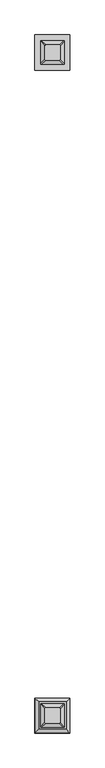
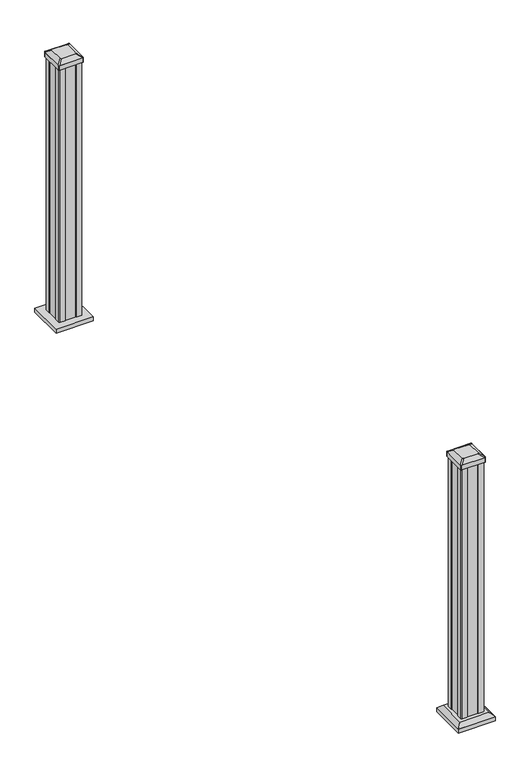
"""IFC4 building model written with IfcOpenShell, lengths in millimetres: railing geometry."""

from ifc_helpers import new_model, si_unit, point, frame, frame_2d, origin, origin_with_axes, place, context, project, spatial, polyline, circle_curve, trimmed, segment, composite_curve, outline, extrude, faceted_brep, source, transform, mapped, element, save
from ifc_brep_helpers import plane_surface, extruded_surface, advanced_brep


def railing_6e0de92e(model_context):
    return source(origin(), model_context, "Body", "SolidModel", [
        extrude(outline(polyline([(866.5715318, -41245.9020611), (733.3207506, -41245.9020611), (733.3207506, -41112.6512798), (866.5715318, -41112.6512798), (866.5715318, -41245.9020611)])), origin_with_axes(), (0.0, 0.0, 1.0), 15.24),
        advanced_brep(
        [(774.1492662, -41208.2485455, 1012.825), (825.7430162, -41208.2485455, 1012.825), (828.9180162, -41205.0735455, 1012.825), (828.9180162, -41153.4797955, 1012.825), (825.7430162, -41150.3047955, 1012.825), (774.1492662, -41150.3047955, 1012.825), (770.9742662, -41153.4797955, 1012.825), (770.9742662, -41205.0735455, 1012.825), (757.8773912, -41224.5204205, 1001.522), (754.7023912, -41221.3454205, 1001.522), (754.7023912, -41137.2079205, 1001.522), (757.8773912, -41134.0329205, 1001.522), (842.0148912, -41134.0329205, 1001.522), (845.1898912, -41137.2079205, 1001.522), (845.1898912, -41221.3454205, 1001.522), (842.0148912, -41224.5204205, 1001.522)],
        [
            (0, 1),
            (1, 2, circle_curve(frame((825.7430162, -41205.0735455, 1012.825), z_axis=(0.0, 0.0, 1.0), x_axis=(0.0, 1.0, 0.0)), 3.175)),
            (2, 3),
            (3, 4, circle_curve(frame((825.7430162, -41153.4797955, 1012.825), z_axis=(0.0, 0.0, 1.0), x_axis=(0.0, 1.0, 0.0)), 3.175)),
            (4, 5),
            (5, 6, circle_curve(frame((774.1492662, -41153.4797955, 1012.825), z_axis=(0.0, 0.0, 1.0), x_axis=(0.0, 1.0, 0.0)), 3.175)),
            (6, 7),
            (7, 0, circle_curve(frame((774.1492662, -41205.0735455, 1012.825), z_axis=(0.0, 0.0, 1.0), x_axis=(0.0, 1.0, 0.0)), 3.175)),
            (8, 9, circle_curve(frame((757.8773912, -41221.3454205, 1001.522), z_axis=(0.0, 0.0, -1.0), x_axis=(0.0, 1.0, 0.0)), 3.175)),
            (9, 10),
            (10, 11, circle_curve(frame((757.8773912, -41137.2079205, 1001.522), z_axis=(0.0, 0.0, -1.0), x_axis=(0.0, 1.0, 0.0)), 3.175)),
            (11, 12),
            (12, 13, circle_curve(frame((842.0148912, -41137.2079205, 1001.522), z_axis=(0.0, 0.0, -1.0), x_axis=(0.0, 1.0, 0.0)), 3.175)),
            (13, 14),
            (14, 15, circle_curve(frame((842.0148912, -41221.3454205, 1001.522), z_axis=(0.0, 0.0, -1.0), x_axis=(0.0, 1.0, 0.0)), 3.175)),
            (15, 8),
            (8, 0),
            (7, 9),
            (6, 10),
            (5, 11),
            (4, 12),
            (3, 13),
            (2, 14),
            (1, 15),
        ],
        [
            plane_surface(frame((799.9461412, -41179.2766705, 1012.825), z_axis=(0.0, 0.0, 1.0), x_axis=(-1.0, 0.0, 0.0))),
            plane_surface(frame((799.9461412, -41179.2766705, 1001.522), z_axis=(0.0, 0.0, -1.0), x_axis=(-1.0, 0.0, 0.0))),
            extruded_surface(trimmed(circle_curve(frame((774.1492662, -41205.0735455, 1012.825), z_axis=(0.0, 0.0, -1.0), x_axis=(0.0, 1.0, 0.0)), 3.175), [point((774.1492662, -41208.2485455, 1012.825))], [point((770.9742662, -41205.0735455, 1012.825))], True, "CARTESIAN"), (-16.271875000000023, -16.271874999998545, -11.302999999999997), 25.637972638865254),
            plane_surface(frame((754.7023912, -41179.2766705, 1001.522), z_axis=(-0.5705009161540779, 0.0, 0.8212969649690408), x_axis=(0.0, 1.0, 0.0))),
            extruded_surface(trimmed(circle_curve(frame((774.1492662, -41153.4797955, 1012.825), z_axis=(0.0, 0.0, -1.0), x_axis=(0.0, 1.0, 0.0)), 3.175), [point((770.9742662, -41153.4797955, 1012.825))], [point((774.1492662, -41150.3047955, 1012.825))], True, "CARTESIAN"), (-16.271875000000023, 16.27187500000582, -11.302999999999997), 25.637972638869872),
            plane_surface(frame((799.9461412, -41134.0329205, 1001.522), z_axis=(0.0, 0.5705009161540291, 0.8212969649690747), x_axis=(1.0, 0.0, 0.0))),
            extruded_surface(trimmed(circle_curve(frame((825.7430162, -41153.4797955, 1012.825), z_axis=(0.0, 0.0, -1.0), x_axis=(0.0, 1.0, 0.0)), 3.175), [point((825.7430162, -41150.3047955, 1012.825))], [point((828.9180162, -41153.4797955, 1012.825))], True, "CARTESIAN"), (16.27187499999991, 16.27187500000582, -11.302999999999997), 25.637972638869797),
            plane_surface(frame((845.1898912, -41179.2766705, 1001.522), z_axis=(0.5705009161540141, 0.0, 0.8212969649690851), x_axis=(0.0, -1.0, 0.0))),
            extruded_surface(trimmed(circle_curve(frame((825.7430162, -41205.0735455, 1012.825), z_axis=(0.0, 0.0, -1.0), x_axis=(0.0, 1.0, 0.0)), 3.175), [point((828.9180162, -41205.0735455, 1012.825))], [point((825.7430162, -41208.2485455, 1012.825))], True, "CARTESIAN"), (16.27187499999991, -16.271874999998545, -11.302999999999997), 25.63797263886518),
            plane_surface(frame((799.9461412, -41224.5204205, 1001.522), z_axis=(0.0, -0.570500916154034, 0.8212969649690713), x_axis=(-1.0, 0.0, 0.0))),
        ],
        [
            (0, [[1, 2, 3, 4, 5, 6, 7, 8]]),
            (1, [[9, 10, 11, 12, 13, 14, 15, 16]]),
            (2, [[17, -8, 18, -9]]),
            (3, [[-18, -7, 19, -10]]),
            (4, [[-19, -6, 20, -11]]),
            (5, [[-20, -5, 21, -12]]),
            (6, [[-21, -4, 22, -13]]),
            (7, [[-22, -3, 23, -14]]),
            (8, [[-23, -2, 24, -15]]),
            (9, [[-24, -1, -17, -16]]),
        ],
    ),
        extrude(outline(composite_curve([segment(trimmed(circle_curve(frame_2d((757.8773912, -41221.3454205)), 3.175), [point((757.8773912, -41224.5204205))], [point((754.7023912, -41221.3454205))], False, "CARTESIAN"), True, "CONTINUOUS"), segment(polyline([(754.7023912, -41221.3454205), (754.7023912, -41137.2079205)]), True, "CONTINUOUS"), segment(trimmed(circle_curve(frame_2d((757.8773912, -41137.2079205)), 3.175), [point((754.7023912, -41137.2079205))], [point((757.8773912, -41134.0329205))], False, "CARTESIAN"), True, "CONTINUOUS"), segment(polyline([(757.8773912, -41134.0329205), (842.0148912, -41134.0329205)]), True, "CONTINUOUS"), segment(trimmed(circle_curve(frame_2d((842.0148912, -41137.2079205)), 3.175), [point((842.0148912, -41134.0329205))], [point((845.1898912, -41137.2079205))], False, "CARTESIAN"), True, "CONTINUOUS"), segment(polyline([(845.1898912, -41137.2079205), (845.1898912, -41221.3454205)]), True, "CONTINUOUS"), segment(trimmed(circle_curve(frame_2d((842.0148912, -41221.3454205)), 3.175), [point((845.1898912, -41221.3454205))], [point((842.0148912, -41224.5204205))], False, "CARTESIAN"), True, "CONTINUOUS"), segment(polyline([(842.0148912, -41224.5204205), (757.8773912, -41224.5204205)]), True, "CONTINUOUS")], self_intersect=False)), frame((0.0, 0.0, 984.25), z_axis=(0.0, 0.0, 1.0), x_axis=(1.0, 0.0, 0.0)), (0.0, 0.0, 1.0), 17.272),
        extrude(outline(polyline([(760.2586412, -41220.5516705), (758.6711412, -41218.9641705), (758.6711412, -41199.3426705), (760.2586412, -41198.5806705), (760.2586412, -41159.9726705), (758.6711412, -41159.2106705), (758.6711412, -41139.5891705), (760.2586412, -41138.0016705), (779.8801412, -41138.0016705), (780.6421412, -41139.5891705), (819.2501412, -41139.5891705), (820.0121412, -41138.0016705), (839.6336412, -41138.0016705), (841.2211412, -41139.5891705), (841.2211412, -41159.2106705), (839.6336412, -41159.9726705), (839.6336412, -41198.5806705), (841.2211412, -41199.3426705), (841.2211412, -41218.9641705), (839.6336412, -41220.5516705), (820.0121412, -41220.5516705), (819.2501412, -41218.9641705), (780.6421412, -41218.9641705), (779.8801412, -41220.5516705), (760.2586412, -41220.5516705)])), origin_with_axes(), (0.0, 0.0, 1.0), 984.25),
        faceted_brep([(852.5320787, -43753.066608, 28.575), (852.5320787, -43647.894733, 28.575), (747.3602037, -43647.894733, 28.575), (747.3602037, -43753.066608, 28.575), (866.5715318, -43767.1060611, 15.24), (733.3207506, -43767.1060611, 15.24), (733.3207506, -43633.8552798, 15.24), (866.5715318, -43633.8552798, 15.24)], [[[0, 1, 2, 3]], [[4, 5, 6, 7]], [[4, 0, 3, 5]], [[5, 3, 2, 6]], [[6, 2, 1, 7]], [[7, 1, 0, 4]]]),
        extrude(outline(polyline([(866.5715318, -43767.1060611), (733.3207506, -43767.1060611), (733.3207506, -43633.8552798), (866.5715318, -43633.8552798), (866.5715318, -43767.1060611)])), origin_with_axes(), (0.0, 0.0, 1.0), 15.24),
        advanced_brep(
        [(774.1492662, -43729.4525455, 1012.825), (825.7430162, -43729.4525455, 1012.825), (828.9180162, -43726.2775455, 1012.825), (828.9180162, -43674.6837955, 1012.825), (825.7430162, -43671.5087955, 1012.825), (774.1492662, -43671.5087955, 1012.825), (770.9742662, -43674.6837955, 1012.825), (770.9742662, -43726.2775455, 1012.825), (757.8773912, -43745.7244205, 1001.522), (754.7023912, -43742.5494205, 1001.522), (754.7023912, -43658.4119205, 1001.522), (757.8773912, -43655.2369205, 1001.522), (842.0148912, -43655.2369205, 1001.522), (845.1898912, -43658.4119205, 1001.522), (845.1898912, -43742.5494205, 1001.522), (842.0148912, -43745.7244205, 1001.522)],
        [
            (0, 1),
            (1, 2, circle_curve(frame((825.7430162, -43726.2775455, 1012.825), z_axis=(0.0, 0.0, 1.0), x_axis=(0.0, 1.0, 0.0)), 3.175)),
            (2, 3),
            (3, 4, circle_curve(frame((825.7430162, -43674.6837955, 1012.825), z_axis=(0.0, 0.0, 1.0), x_axis=(0.0, 1.0, 0.0)), 3.175)),
            (4, 5),
            (5, 6, circle_curve(frame((774.1492662, -43674.6837955, 1012.825), z_axis=(0.0, 0.0, 1.0), x_axis=(0.0, 1.0, 0.0)), 3.175)),
            (6, 7),
            (7, 0, circle_curve(frame((774.1492662, -43726.2775455, 1012.825), z_axis=(0.0, 0.0, 1.0), x_axis=(0.0, 1.0, 0.0)), 3.175)),
            (8, 9, circle_curve(frame((757.8773912, -43742.5494205, 1001.522), z_axis=(0.0, 0.0, -1.0), x_axis=(0.0, 1.0, 0.0)), 3.175)),
            (9, 10),
            (10, 11, circle_curve(frame((757.8773912, -43658.4119205, 1001.522), z_axis=(0.0, 0.0, -1.0), x_axis=(0.0, 1.0, 0.0)), 3.175)),
            (11, 12),
            (12, 13, circle_curve(frame((842.0148912, -43658.4119205, 1001.522), z_axis=(0.0, 0.0, -1.0), x_axis=(0.0, 1.0, 0.0)), 3.175)),
            (13, 14),
            (14, 15, circle_curve(frame((842.0148912, -43742.5494205, 1001.522), z_axis=(0.0, 0.0, -1.0), x_axis=(0.0, 1.0, 0.0)), 3.175)),
            (15, 8),
            (8, 0),
            (7, 9),
            (6, 10),
            (5, 11),
            (4, 12),
            (3, 13),
            (2, 14),
            (1, 15),
        ],
        [
            plane_surface(frame((799.9461412, -43700.4806705, 1012.825), z_axis=(0.0, 0.0, 1.0), x_axis=(-1.0, 0.0, 0.0))),
            plane_surface(frame((799.9461412, -43700.4806705, 1001.522), z_axis=(0.0, 0.0, -1.0), x_axis=(-1.0, 0.0, 0.0))),
            extruded_surface(trimmed(circle_curve(frame((774.1492662, -43726.2775455, 1012.825), z_axis=(0.0, 0.0, -1.0), x_axis=(0.0, 1.0, 0.0)), 3.175), [point((774.1492662, -43729.4525455, 1012.825))], [point((770.9742662, -43726.2775455, 1012.825))], True, "CARTESIAN"), (-16.271875000000023, -16.271874999998545, -11.302999999999997), 25.637972638865254),
            plane_surface(frame((754.7023912, -43700.4806705, 1001.522), z_axis=(-0.5705009161540779, 0.0, 0.8212969649690408), x_axis=(0.0, 1.0, 0.0))),
            extruded_surface(trimmed(circle_curve(frame((774.1492662, -43674.6837955, 1012.825), z_axis=(0.0, 0.0, -1.0), x_axis=(0.0, 1.0, 0.0)), 3.175), [point((770.9742662, -43674.6837955, 1012.825))], [point((774.1492662, -43671.5087955, 1012.825))], True, "CARTESIAN"), (-16.271875000000023, 16.271874999998545, -11.302999999999997), 25.637972638865254),
            plane_surface(frame((799.9461412, -43655.2369205, 1001.522), z_axis=(0.0, 0.5705009161540291, 0.8212969649690747), x_axis=(1.0, 0.0, 0.0))),
            extruded_surface(trimmed(circle_curve(frame((825.7430162, -43674.6837955, 1012.825), z_axis=(0.0, 0.0, -1.0), x_axis=(0.0, 1.0, 0.0)), 3.175), [point((825.7430162, -43671.5087955, 1012.825))], [point((828.9180162, -43674.6837955, 1012.825))], True, "CARTESIAN"), (16.27187499999991, 16.271874999998545, -11.302999999999997), 25.63797263886518),
            plane_surface(frame((845.1898912, -43700.4806705, 1001.522), z_axis=(0.5705009161540141, 0.0, 0.8212969649690851), x_axis=(0.0, -1.0, 0.0))),
            extruded_surface(trimmed(circle_curve(frame((825.7430162, -43726.2775455, 1012.825), z_axis=(0.0, 0.0, -1.0), x_axis=(0.0, 1.0, 0.0)), 3.175), [point((828.9180162, -43726.2775455, 1012.825))], [point((825.7430162, -43729.4525455, 1012.825))], True, "CARTESIAN"), (16.27187499999991, -16.271874999998545, -11.302999999999997), 25.63797263886518),
            plane_surface(frame((799.9461412, -43745.7244205, 1001.522), z_axis=(0.0, -0.570500916154034, 0.8212969649690713), x_axis=(-1.0, 0.0, 0.0))),
        ],
        [
            (0, [[1, 2, 3, 4, 5, 6, 7, 8]]),
            (1, [[9, 10, 11, 12, 13, 14, 15, 16]]),
            (2, [[17, -8, 18, -9]]),
            (3, [[-18, -7, 19, -10]]),
            (4, [[-19, -6, 20, -11]]),
            (5, [[-20, -5, 21, -12]]),
            (6, [[-21, -4, 22, -13]]),
            (7, [[-22, -3, 23, -14]]),
            (8, [[-23, -2, 24, -15]]),
            (9, [[-24, -1, -17, -16]]),
        ],
    ),
        extrude(outline(composite_curve([segment(trimmed(circle_curve(frame_2d((757.8773912, -43742.5494205)), 3.175), [point((757.8773912, -43745.7244205))], [point((754.7023912, -43742.5494205))], False, "CARTESIAN"), True, "CONTINUOUS"), segment(polyline([(754.7023912, -43742.5494205), (754.7023912, -43658.4119205)]), True, "CONTINUOUS"), segment(trimmed(circle_curve(frame_2d((757.8773912, -43658.4119205)), 3.175), [point((754.7023912, -43658.4119205))], [point((757.8773912, -43655.2369205))], False, "CARTESIAN"), True, "CONTINUOUS"), segment(polyline([(757.8773912, -43655.2369205), (842.0148912, -43655.2369205)]), True, "CONTINUOUS"), segment(trimmed(circle_curve(frame_2d((842.0148912, -43658.4119205)), 3.175), [point((842.0148912, -43655.2369205))], [point((845.1898912, -43658.4119205))], False, "CARTESIAN"), True, "CONTINUOUS"), segment(polyline([(845.1898912, -43658.4119205), (845.1898912, -43742.5494205)]), True, "CONTINUOUS"), segment(trimmed(circle_curve(frame_2d((842.0148912, -43742.5494205)), 3.175), [point((845.1898912, -43742.5494205))], [point((842.0148912, -43745.7244205))], False, "CARTESIAN"), True, "CONTINUOUS"), segment(polyline([(842.0148912, -43745.7244205), (757.8773912, -43745.7244205)]), True, "CONTINUOUS")], self_intersect=False)), frame((0.0, 0.0, 984.25), z_axis=(0.0, 0.0, 1.0), x_axis=(1.0, 0.0, 0.0)), (0.0, 0.0, 1.0), 17.272),
        extrude(outline(polyline([(760.2586412, -43741.7556705), (758.6711412, -43740.1681705), (758.6711412, -43720.5466705), (760.2586412, -43719.7846705), (760.2586412, -43681.1766705), (758.6711412, -43680.4146705), (758.6711412, -43660.7931705), (760.2586412, -43659.2056705), (779.8801412, -43659.2056705), (780.6421412, -43660.7931705), (819.2501412, -43660.7931705), (820.0121412, -43659.2056705), (839.6336412, -43659.2056705), (841.2211412, -43660.7931705), (841.2211412, -43680.4146705), (839.6336412, -43681.1766705), (839.6336412, -43719.7846705), (841.2211412, -43720.5466705), (841.2211412, -43740.1681705), (839.6336412, -43741.7556705), (820.0121412, -43741.7556705), (819.2501412, -43740.1681705), (780.6421412, -43740.1681705), (779.8801412, -43741.7556705), (760.2586412, -43741.7556705)])), origin_with_axes(), (0.0, 0.0, 1.0), 984.25),
    ])


if __name__ == "__main__":
    model = new_model("IFC4")
    model_context = context("Model", 3, world=origin())
    ifc_project = project(units=[si_unit("LENGTHUNIT", "METRE", prefix="MILLI")], contexts=[model_context])
    site = spatial("IfcSite", under=ifc_project)
    building = spatial("IfcBuilding", under=site)
    placement = place(None, origin())
    railing_shape = railing_6e0de92e(model_context)
    element("IfcRailing", 1, at=placement, inside=building, context=model_context, shape_type="MappedRepresentation", body=[
        mapped(railing_shape, transform((0.0, 0.0, 0.0), x_axis=(1.0, 0.0, 0.0), y_axis=(0.0, 1.0, 0.0), z_axis=(0.0, 0.0, 1.0))),
    ])
    save(model, "model.ifc")
